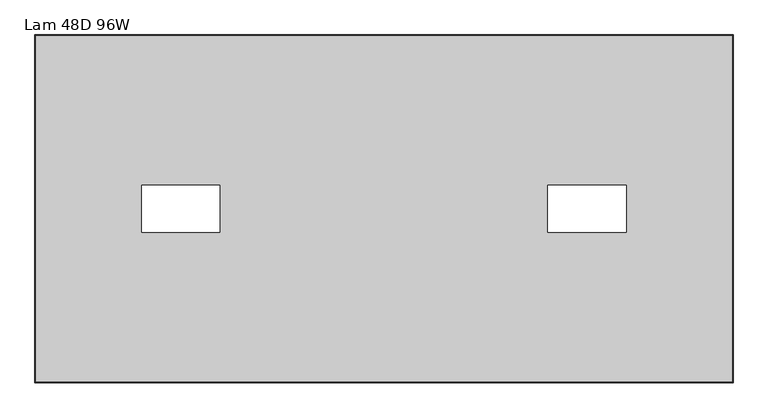
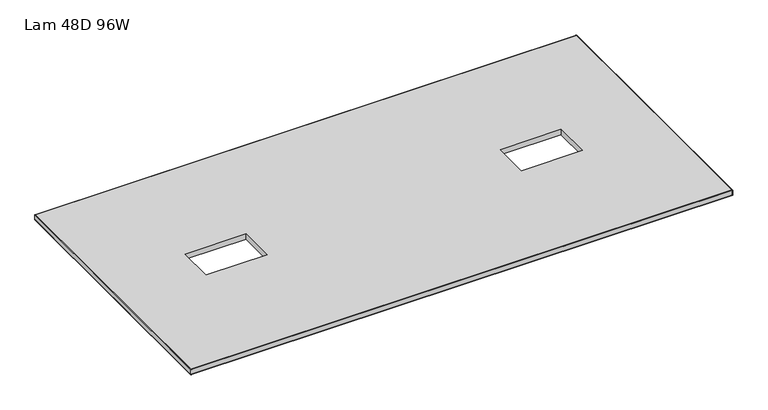
"""IFC4 building model written with IfcOpenShell, lengths in millimetres: furniture geometry, Lam 48D 96W."""

from ifc_helpers import new_model, si_unit, frame, origin, place, context, project, spatial, polyline, ellipse_curve, outline, extrude, source, transform, mapped, element, save
from ifc_brep_helpers import plane_surface, cylinder_surface, advanced_brep


def lam_48d_96w_d042ce9a(model_context):
    return source(origin(), model_context, "Body", "SolidModel", [
        advanced_brep(
        [(-1097.0, 604.8248, 314.325), (-1097.0, 604.8248, 288.925), (1333.7518, 604.8248, 288.925), (1333.7518, 604.8248, 314.325), (1333.7518, -604.8248, 288.925), (1333.7518, -604.8248, 314.325), (-1097.0, -604.8248, 288.925), (-1097.0, -604.8248, 314.325), (-1098.6002, 606.425, 290.5252), (-1098.6002, 606.425, 312.7248), (1335.352, 606.425, 312.7248), (1335.352, 606.425, 290.5252), (1335.352, -606.425, 312.7248), (1335.352, -606.425, 290.5252), (-1098.6002, -606.425, 312.7248), (-1098.6002, -606.425, 290.5252)],
        [
            (0, 1),
            (1, 2),
            (2, 3),
            (3, 0),
            (2, 4),
            (4, 5),
            (5, 3),
            (4, 6),
            (6, 7),
            (7, 5),
            (6, 1),
            (0, 7),
            (8, 9),
            (9, 10),
            (10, 11),
            (11, 8),
            (10, 12),
            (12, 13),
            (13, 11),
            (12, 14),
            (14, 15),
            (15, 13),
            (14, 9),
            (8, 15),
            (9, 0, ellipse_curve(frame((-1097.0, 604.8248, 312.7248), z_axis=(0.7071067811865475, 0.7071067811865475, 0.0), x_axis=(-0.7071067811865476, 0.7071067811865474, 0.0)), 2.2630245, 1.6002)),
            (3, 10, ellipse_curve(frame((1333.7518, 604.8248, 312.7248), z_axis=(-0.7071067811865475, 0.7071067811865475, 0.0), x_axis=(-0.7071067811865476, -0.7071067811865474, 0.0)), 2.2630245, 1.6002)),
            (1, 8, ellipse_curve(frame((-1097.0, 604.8248, 290.5252), z_axis=(0.7071067811865475, 0.7071067811865475, 0.0), x_axis=(-0.7071067811865476, 0.7071067811865474, 0.0)), 2.2630245, 1.6002)),
            (11, 2, ellipse_curve(frame((1333.7518, 604.8248, 290.5252), z_axis=(-0.7071067811865475, 0.7071067811865475, 0.0), x_axis=(-0.7071067811865476, -0.7071067811865474, 0.0)), 2.2630245, 1.6002)),
            (5, 12, ellipse_curve(frame((1333.7518, -604.8248, 312.7248), z_axis=(0.7071067811865475, 0.7071067811865475, 0.0), x_axis=(-0.7071067811865474, 0.7071067811865476, 0.0)), 2.2630245, 1.6002)),
            (13, 4, ellipse_curve(frame((1333.7518, -604.8248, 290.5252), z_axis=(0.7071067811865475, 0.7071067811865475, 0.0), x_axis=(-0.7071067811865474, 0.7071067811865476, 0.0)), 2.2630245, 1.6002)),
            (7, 14, ellipse_curve(frame((-1097.0, -604.8248, 312.7248), z_axis=(0.7071067811865475, -0.7071067811865475, 0.0), x_axis=(0.7071067811865476, 0.7071067811865474, 0.0)), 2.2630245, 1.6002)),
            (15, 6, ellipse_curve(frame((-1097.0, -604.8248, 290.5252), z_axis=(0.7071067811865475, -0.7071067811865475, 0.0), x_axis=(0.7071067811865476, 0.7071067811865474, 0.0)), 2.2630245, 1.6002)),
        ],
        [
            plane_surface(frame((-1097.0, 604.8248, 288.925), z_axis=(0.0, -1.0, 0.0), x_axis=(1.0, 0.0, 0.0))),
            plane_surface(frame((1333.7518, 604.8248, 288.925), z_axis=(-1.0, 0.0, 0.0), x_axis=(0.0, -1.0, 0.0))),
            plane_surface(frame((1333.7518, -604.8248, 288.925), z_axis=(0.0, 1.0, 0.0), x_axis=(-1.0, 0.0, 0.0))),
            plane_surface(frame((-1097.0, -604.8248, 288.925), z_axis=(1.0, 0.0, 0.0), x_axis=(0.0, 1.0, 0.0))),
            plane_surface(frame((-1098.6002, 606.425, 312.7248), z_axis=(0.0, 1.0, 0.0), x_axis=(1.0, 0.0, 0.0))),
            plane_surface(frame((1335.352, 606.425, 312.7248), z_axis=(1.0, 0.0, 0.0), x_axis=(0.0, -1.0, 0.0))),
            plane_surface(frame((1335.352, -606.425, 312.7248), z_axis=(0.0, -1.0, 0.0), x_axis=(-1.0, 0.0, 0.0))),
            plane_surface(frame((-1098.6002, -606.425, 312.7248), z_axis=(-1.0, 0.0, 0.0), x_axis=(0.0, 1.0, 0.0))),
            cylinder_surface(frame((-1097.0, 604.8248, 312.7248), z_axis=(-1.0, 0.0, 0.0), x_axis=(0.0, -1.0, 0.0)), 1.6002),
            cylinder_surface(frame((-1097.0, 604.8248, 290.5252), z_axis=(-1.0, 0.0, 0.0), x_axis=(0.0, -1.0, 0.0)), 1.6002),
            cylinder_surface(frame((1333.7518, 604.8248, 312.7248), z_axis=(0.0, 1.0, 0.0), x_axis=(-1.0, 0.0, 0.0)), 1.6002),
            cylinder_surface(frame((1333.7518, 604.8248, 290.5252), z_axis=(0.0, 1.0, 0.0), x_axis=(-1.0, 0.0, 0.0)), 1.6002),
            cylinder_surface(frame((1333.7518, -604.8248, 312.7248), z_axis=(1.0, 0.0, 0.0), x_axis=(0.0, 1.0, 0.0)), 1.6002),
            cylinder_surface(frame((1333.7518, -604.8248, 290.5252), z_axis=(1.0, 0.0, 0.0), x_axis=(0.0, 1.0, 0.0)), 1.6002),
            cylinder_surface(frame((-1097.0, -604.8248, 312.7248), z_axis=(0.0, -1.0, 0.0), x_axis=(1.0, 0.0, 0.0)), 1.6002),
            cylinder_surface(frame((-1097.0, -604.8248, 290.5252), z_axis=(0.0, -1.0, 0.0), x_axis=(1.0, 0.0, 0.0)), 1.6002),
        ],
        [
            (0, [[1, 2, 3, 4]]),
            (1, [[-3, 5, 6, 7]]),
            (2, [[-6, 8, 9, 10]]),
            (3, [[-9, 11, -1, 12]]),
            (4, [[13, 14, 15, 16]]),
            (5, [[-15, 17, 18, 19]]),
            (6, [[-18, 20, 21, 22]]),
            (7, [[-21, 23, -13, 24]]),
            (8, [[25, -4, 26, -14]]),
            (9, [[27, -16, 28, -2]]),
            (10, [[-26, -7, 29, -17]]),
            (11, [[-28, -19, 30, -5]]),
            (12, [[-29, -10, 31, -20]]),
            (13, [[-30, -22, 32, -8]]),
            (14, [[-31, -12, -25, -23]]),
            (15, [[-32, -24, -27, -11]]),
        ],
    ),
        extrude(outline(polyline([(1333.7518, 604.8248), (1333.7518, -604.8248), (-1097.0, -604.8248), (-1097.0, 604.8248), (1333.7518, 604.8248)]), holes=[polyline([(-453.8113, 81.915), (-726.8613, 81.915), (-726.8613, -81.915), (-453.8113, -81.915), (-453.8113, 81.915)]), polyline([(962.2133, 81.915), (689.1633, 81.915), (689.1633, -81.915), (962.2133, -81.915), (962.2133, 81.915)])]), frame((0.0, 0.0, 288.925), z_axis=(0.0, 0.0, 1.0), x_axis=(1.0, 0.0, 0.0)), (0.0, 0.0, 1.0), 25.4),
    ])


if __name__ == "__main__":
    model = new_model("IFC4")
    model_context = context("Model", 3, world=origin())
    ifc_project = project(units=[si_unit("LENGTHUNIT", "METRE", prefix="MILLI")], contexts=[model_context])
    site = spatial("IfcSite", under=ifc_project)
    building = spatial("IfcBuilding", under=site)
    placement = place(None, origin())
    lam_48d_96w_shape = lam_48d_96w_d042ce9a(model_context)
    element("IfcFurniture", 1, ObjectType="Lam 48D 96W", at=placement, inside=building, context=model_context, shape_type="MappedRepresentation", body=[
        mapped(lam_48d_96w_shape, transform((0.0, 0.0, 0.0), x_axis=(1.0, 0.0, 0.0), y_axis=(0.0, 1.0, 0.0), z_axis=(0.0, 0.0, 1.0))),
    ])
    save(model, "model.ifc")
